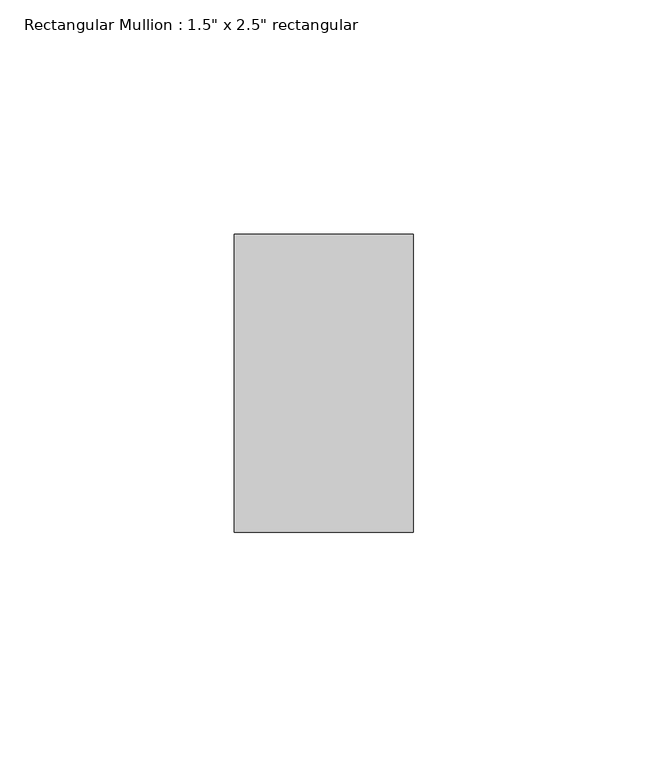
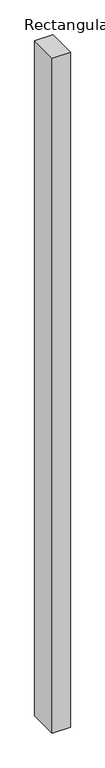
"""IFC4 building model written with IfcOpenShell, lengths in millimetres: member geometry."""

from ifc_helpers import new_model, si_unit, frame, origin, place, context, project, spatial, polyline, outline, extrude, source, transform, mapped, element, save


def member_4cf0c6b4(model_context):
    return source(origin(), model_context, "Body", "SweptSolid", [
        extrude(outline(polyline([(19.05, 31.75), (19.05, -31.75), (-19.05, -31.75), (-19.05, 31.75), (19.05, 31.75)])), frame((0.0, 0.0, -1498.6), z_axis=(0.0, 0.0, 1.0), x_axis=(1.0, 0.0, 0.0)), (0.0, 0.0, 1.0), 1498.6),
    ])


if __name__ == "__main__":
    model = new_model("IFC4")
    model_context = context("Model", 3, world=origin())
    ifc_project = project(units=[si_unit("LENGTHUNIT", "METRE", prefix="MILLI")], contexts=[model_context])
    site = spatial("IfcSite", under=ifc_project)
    building = spatial("IfcBuilding", under=site)
    placement = place(None, origin())
    member_shape = member_4cf0c6b4(model_context)
    element("IfcMember", 1, ObjectType="Rectangular Mullion : 1.5\" x 2.5\" rectangular", at=placement, inside=building, context=model_context, shape_type="MappedRepresentation", body=[
        mapped(member_shape, transform((0.0, 0.0, 0.0), x_axis=(1.0, 0.0, 0.0), y_axis=(0.0, 1.0, 0.0), z_axis=(0.0, 0.0, 1.0))),
    ])
    save(model, "model.ifc")
